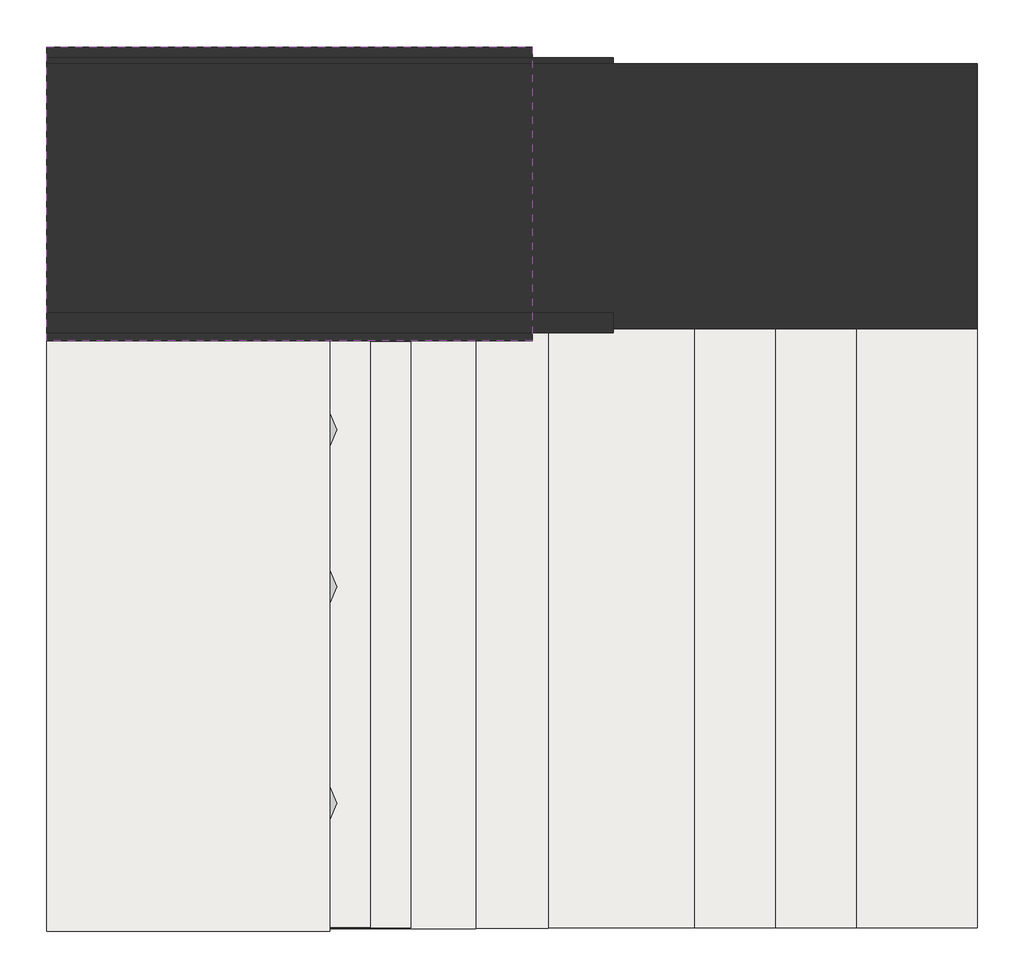
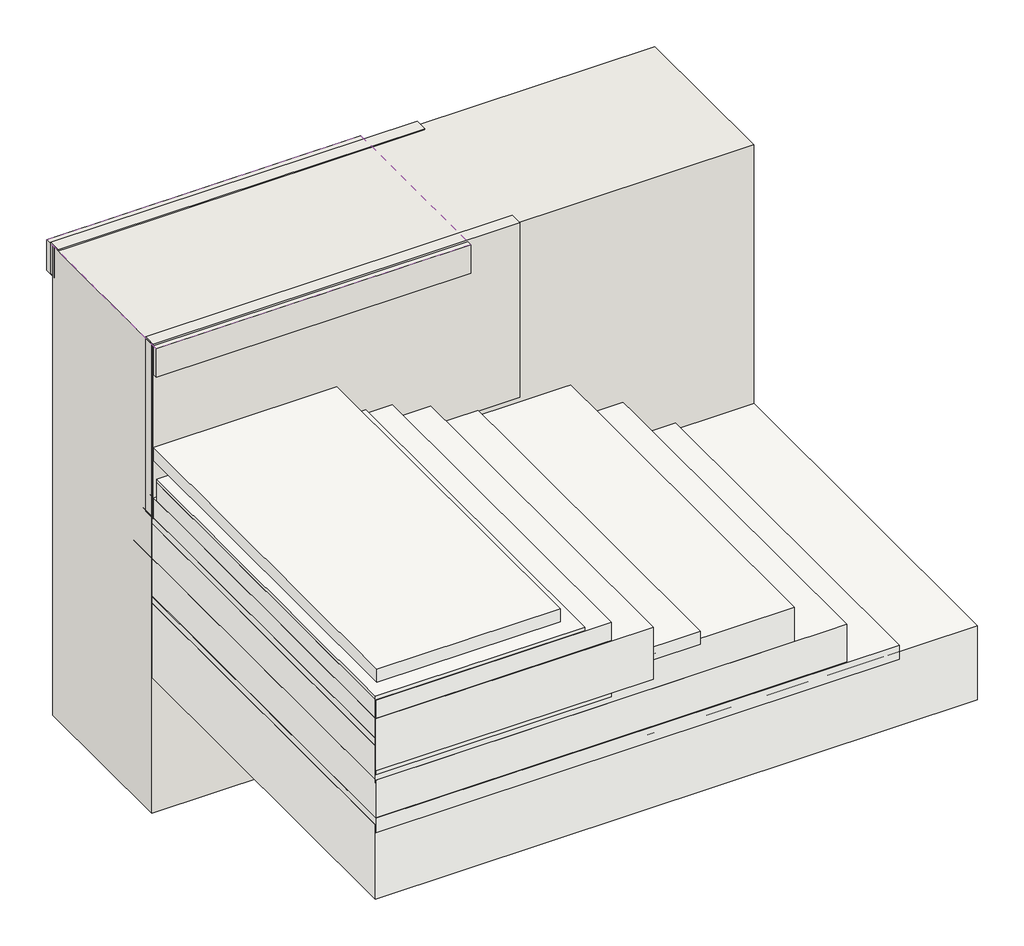
# One storey: 6 pipe segments, 6 slabs, 5 walls, 4 coverings.
"""IFC4 building model written with IfcOpenShell, lengths in millimetres."""

import ifcopenshell
import ifcopenshell.guid

model = None  # the IFC model being written
_history = None  # IfcOwnerHistory: only IFC2X3 demands one
_inside = {}  # id of a spatial element -> (the spatial element, [elements in it])
_under = {}  # id of a project, library or spatial element -> (it, [spatial elements below it])
_declared = {}  # id of a project -> (the project, [libraries it declares])
_typed = {}  # id of a type object -> (the type object, [elements of that type])
_made_of = {}  # id of a material, layer set ... -> (it, [elements and type objects made of it])


def new_model(schema):
    """Start an empty IFC model of exactly this schema.

    Asked for "IFC4X3", IfcOpenShell would pick the latest addendum, in which some entities
    have other attributes; the version numbers below select the first issue.
    IFC2X3 requires an IfcOwnerHistory on every rooted entity: one is made here for all.
    """
    global model, _history
    if schema == "IFC4X3":
        model = ifcopenshell.file(schema_version=(4, 3, 0, 0))
    else:
        model = ifcopenshell.file(schema=schema)
    _inside.clear()
    _under.clear()
    _declared.clear()
    _typed.clear()
    _made_of.clear()
    _history = None
    if model.schema == "IFC2X3":
        org = make("IfcOrganization", Name="unknown")
        user = make(
            "IfcPersonAndOrganization",
            ThePerson=make("IfcPerson", FamilyName="unknown"),
            TheOrganization=org,
        )
        app = make(
            "IfcApplication",
            ApplicationDeveloper=org,
            Version="unknown",
            ApplicationFullName="unknown",
            ApplicationIdentifier="unknown",
        )
        _history = make(
            "IfcOwnerHistory",
            OwningUser=user,
            OwningApplication=app,
            ChangeAction="ADDED",
            CreationDate=0,
        )
    return model


def make(cls, **values):
    """One entity of the class cls with the attributes given. An attribute that is None is left unset."""
    return model.create_entity(
        cls, **{name: value for name, value in values.items() if value is not None}
    )


def rooted(cls, **values):
    """An entity with a GlobalId (a new one), such as an element, a storey or a relation."""
    return make(cls, GlobalId=ifcopenshell.guid.new(), OwnerHistory=_history, **values)


def si_unit(unit_type, name, prefix=None):
    """IfcSIUnit, for example si_unit("LENGTHUNIT", "METRE", prefix="MILLI")."""
    return make("IfcSIUnit", UnitType=unit_type, Prefix=prefix, Name=name)


def assignment(units):
    """IfcUnitAssignment: the units of a project."""
    return None if units is None else make("IfcUnitAssignment", Units=units)


def point(xyz):
    """IfcCartesianPoint."""
    return None if xyz is None else make("IfcCartesianPoint", Coordinates=xyz)


def direction(xyz):
    """IfcDirection."""
    return None if xyz is None else make("IfcDirection", DirectionRatios=xyz)


def frame(location, z_axis=None, x_axis=None):
    """IfcAxis2Placement3D, a coordinate frame: its origin and axes. An axis left out is left unset."""
    return make(
        "IfcAxis2Placement3D",
        Location=point(location),
        Axis=direction(z_axis),
        RefDirection=direction(x_axis),
    )


def frame_2d(location, x_axis=None):
    """IfcAxis2Placement2D, a coordinate frame in the plane: its origin and x axis."""
    return make(
        "IfcAxis2Placement2D", Location=point(location), RefDirection=direction(x_axis)
    )


def origin():
    """The frame at (0, 0, 0) with its axes left unset."""
    return frame((0.0, 0.0, 0.0))


def place(relative_to, where):
    """IfcLocalPlacement: puts the frame where relative to a parent placement (None: the world)."""
    return make(
        "IfcLocalPlacement", PlacementRelTo=relative_to, RelativePlacement=where
    )


def context(
    kind, dimensions, precision=None, world=None, true_north=None, identifier=None
):
    """IfcGeometricRepresentationContext, for example the 3D "Model" context."""
    return make(
        "IfcGeometricRepresentationContext",
        ContextIdentifier=identifier,
        ContextType=kind,
        CoordinateSpaceDimension=dimensions,
        Precision=precision,
        WorldCoordinateSystem=world,
        TrueNorth=true_north,
    )


def project(units=None, contexts=None):
    """IfcProject with its units and contexts."""
    return rooted(
        "IfcProject",
        Name="project",
        RepresentationContexts=contexts,
        UnitsInContext=assignment(units),
    )


def spatial(cls, under=None, at=None, **own):
    """A site, building, storey or space (cls), placed at a placement, below another one or the project."""
    s = rooted(cls, ObjectPlacement=at, **own)
    if under is not None:
        _under.setdefault(under.id(), (under, []))[1].append(s)
    return s


def polyline(points):
    """IfcPolyline through the points."""
    return make("IfcPolyline", Points=[point(p) for p in points])


def circle_curve(where, radius):
    """IfcCircle in the frame where."""
    return make("IfcCircle", Position=where, Radius=radius)


def trimmed(basis, trim1, trim2, sense, master):
    """IfcTrimmedCurve: the piece of a basis curve between two trims."""
    return make(
        "IfcTrimmedCurve",
        BasisCurve=basis,
        Trim1=trim1,
        Trim2=trim2,
        SenseAgreement=sense,
        MasterRepresentation=master,
    )


def segment(curve, same_sense, transition):
    """IfcCompositeCurveSegment."""
    return make(
        "IfcCompositeCurveSegment",
        Transition=transition,
        SameSense=same_sense,
        ParentCurve=curve,
    )


def composite_curve(segments, self_intersect=None):
    """IfcCompositeCurve: segments joined end to end."""
    return make("IfcCompositeCurve", Segments=segments, SelfIntersect=self_intersect)


def outline(outer, holes=None, kind="AREA"):
    """IfcArbitraryClosedProfileDef: a profile drawn as a closed curve; with holes, ...WithVoids."""
    if holes is None:
        return make("IfcArbitraryClosedProfileDef", ProfileType=kind, OuterCurve=outer)
    return make(
        "IfcArbitraryProfileDefWithVoids",
        ProfileType=kind,
        OuterCurve=outer,
        InnerCurves=holes,
    )


def extrude(swept, where, along, depth):
    """IfcExtrudedAreaSolid: the profile swept, set in the frame where, extruded along a direction by depth."""
    return make(
        "IfcExtrudedAreaSolid",
        SweptArea=swept,
        Position=where,
        ExtrudedDirection=direction(along),
        Depth=depth,
    )


def faces_of(points, faces, orient=None, outer=None):
    """IfcFace entities. A face is a list of loops; a loop is a list of indices into points, from 0.

    orient and outer hold one flag for each loop. By default every Orientation is true, the
    first loop of a face is its IfcFaceOuterBound and the others are IfcFaceBound.
    """
    made = []
    for i, loops in enumerate(faces):
        bounds = []
        for j, loop in enumerate(loops):
            is_outer = j == 0 if outer is None else outer[i][j]
            bounds.append(
                make(
                    "IfcFaceOuterBound" if is_outer else "IfcFaceBound",
                    Bound=make("IfcPolyLoop", Polygon=[points[k] for k in loop]),
                    Orientation=True if orient is None else orient[i][j],
                )
            )
        made.append(make("IfcFace", Bounds=bounds))
    return made


def faceted_brep(points, faces, orient=None, outer=None, voids=None):
    """IfcFacetedBrep: a solid bounded by flat faces; with voids (closed shells), ...WithVoids."""
    shared = [point(p) for p in points]
    hull = make("IfcClosedShell", CfsFaces=faces_of(shared, faces, orient, outer))
    if voids is None:
        return make("IfcFacetedBrep", Outer=hull)
    return make(
        "IfcFacetedBrepWithVoids",
        Outer=hull,
        Voids=[
            make(cls, CfsFaces=faces_of(shared, fs, o, b)) for cls, fs, o, b in voids
        ],
    )


def shape(context_of_items, identifier, shape_type, items):
    """IfcShapeRepresentation: the items that make up one representation, for example the "Body"."""
    return make(
        "IfcShapeRepresentation",
        ContextOfItems=context_of_items,
        RepresentationIdentifier=identifier,
        RepresentationType=shape_type,
        Items=items,
    )


def made_of(thing, what):
    """Note that an element or type object is made of a material, layer set ...; save() writes the relation."""
    if what is not None:
        _made_of.setdefault(what.id(), (what, []))[1].append(thing)
    return thing


def element(
    cls,
    number,
    at=None,
    inside=None,
    cuts=None,
    type_object=None,
    material=None,
    context=None,
    identifier="Body",
    shape_type=None,
    held_by="IfcProductDefinitionShape",
    body=None,
    shapes=None,
    **own,
):
    """One element of the class cls, such as IfcWall. Its Tag is "e" and its number.

    at: its placement. inside: the storey or other place that contains it. cuts: it is an
    opening in that element (IfcRelVoidsElement). A single representation is given by context,
    identifier, shape_type and body (its items); several are given by shapes. held_by: the class
    of the entity that holds the representations. save() writes the other relations.
    """
    e = rooted(cls, Tag="e%d" % number, ObjectPlacement=at, **own)
    if body is not None:
        shapes = [shape(context, identifier, shape_type, body)]
    if shapes is not None:
        e.Representation = make(held_by, Representations=shapes)
    if inside is not None:
        _inside.setdefault(inside.id(), (inside, []))[1].append(e)
    if cuts is not None:
        rooted(
            "IfcRelVoidsElement", RelatingBuildingElement=cuts, RelatedOpeningElement=e
        )
    if type_object is not None:
        _typed.setdefault(type_object.id(), (type_object, []))[1].append(e)
    return made_of(e, material)


def aggregate(whole, parts):
    """IfcRelAggregates: a whole, such as a stair, and the parts it consists of."""
    return rooted("IfcRelAggregates", RelatingObject=whole, RelatedObjects=parts)


def save(model, path):
    """Write the relations noted so far, then the file.

    IfcRelAggregates (storeys below a building ...), IfcRelContainedInSpatialStructure (elements
    in a storey), IfcRelDefinesByType, IfcRelAssociatesMaterial and IfcRelDeclares: one each for
    every whole, place, type object, material and project.
    """
    for whole, parts in _under.values():
        aggregate(whole, parts)
    for where, things in _inside.values():
        rooted(
            "IfcRelContainedInSpatialStructure",
            RelatedElements=things,
            RelatingStructure=where,
        )
    for kind, things in _typed.values():
        rooted("IfcRelDefinesByType", RelatedObjects=things, RelatingType=kind)
    for what, things in _made_of.values():
        rooted("IfcRelAssociatesMaterial", RelatedObjects=things, RelatingMaterial=what)
    for by, libraries in _declared.values():
        rooted("IfcRelDeclares", RelatingContext=by, RelatedDefinitions=libraries)
    model.write(path)


model = new_model("IFC4")

# Units and contexts
model_context = context("Model", 3, world=origin())
ifc_project = project(units=[si_unit("LENGTHUNIT", "METRE", prefix="MILLI")], contexts=[model_context])

# Site, building, storey
site = spatial("IfcSite", under=ifc_project)
building = spatial("IfcBuilding", under=site)
storey = spatial("IfcBuildingStorey", under=building, Elevation=0.0)

# Coverings
placement = place(None, origin())
element("IfcCovering", 1, at=placement, inside=storey, context=model_context, shape_type="SweptSolid", body=[
    extrude(outline(polyline([(-23182.5624154, -22231.5458538), (-21182.5624154, -22231.5458538), (-21182.5624154, -23710.8477988), (-23182.5624154, -23710.8477988), (-23182.5624154, -22231.5458538)])), frame((0.0, 0.0, 179.3793099), z_axis=(0.0, 0.0, 1.0), x_axis=(1.0, 0.0, 0.0)), (0.0, 0.0, 1.0), 57.0),
])
element("IfcCovering", 2, at=placement, inside=storey, context=model_context, shape_type="SweptSolid", body=[
    extrude(outline(polyline([(-23182.5624154, -22061.953305), (-21942.5624154, -22061.953305), (-21942.5624154, -23711.953305), (-23182.5624154, -23711.953305), (-23182.5624154, -22061.953305)])), frame((0.0, 0.0, 507.3951932), z_axis=(0.0, 0.0, 1.0), x_axis=(1.0, 0.0, 0.0)), (0.0, 0.0, 1.0), 52.0),
])
element("IfcCovering", 3, at=placement, inside=storey, context=model_context, shape_type="SweptSolid", body=[
    extrude(outline(polyline([(-23182.5624154, -22240.66973), (-22482.5624154, -22240.66973), (-22482.5624154, -23719.971675), (-23182.5624154, -23719.971675), (-23182.5624154, -22240.66973)])), frame((0.0, 0.0, 791.8317649), z_axis=(0.0, 0.0, 1.0), x_axis=(1.0, 0.0, 0.0)), (0.0, 0.0, 1.0), 52.0),
])
element("IfcCovering", 4, at=placement, inside=storey, context=model_context, shape_type="SweptSolid", body=[
    extrude(outline(polyline([(-23182.5624154, -21533.7541097), (-21982.5624154, -21533.7541097), (-21982.5624154, -22260.9958441), (-23182.5624154, -22260.9958441), (-23182.5624154, -21533.7541097)])), frame((0.0, 0.0, 1254.3055564), z_axis=(0.0, 0.0, 1.0), x_axis=(1.0, 0.0, 0.0)), (0.0, 0.0, 1.0), 52.0),
])

# Pipe segments
element("IfcPipeSegment", 5, at=placement, inside=storey, context=model_context, shape_type="SweptSolid", body=[
    extrude(outline(composite_curve([segment(trimmed(circle_curve(frame_2d((-22522.6890772, -23403.1916701)), 21.082), [point((-22543.7710772, -23403.1916701))], [point((-22522.6890772, -23382.1096701))], False, "CARTESIAN"), True, "CONTINUOUS"), segment(trimmed(circle_curve(frame_2d((-22522.6890772, -23403.1916701)), 21.082), [point((-22522.6890772, -23382.1096701))], [point((-22501.6070772, -23403.1916701))], False, "CARTESIAN"), True, "CONTINUOUS"), segment(trimmed(circle_curve(frame_2d((-22522.6890772, -23403.1916701)), 21.082), [point((-22501.6070772, -23403.1916701))], [point((-22522.6890772, -23424.2736701))], False, "CARTESIAN"), True, "CONTINUOUS"), segment(trimmed(circle_curve(frame_2d((-22522.6890772, -23403.1916701)), 21.082), [point((-22522.6890772, -23424.2736701))], [point((-22543.7710772, -23403.1916701))], False, "CARTESIAN"), True, "CONTINUOUS")], self_intersect=False)), frame((0.0, 0.0, 731.3853786), z_axis=(0.0, 0.0, 1.0), x_axis=(1.0, 0.0, 0.0)), (0.0, 0.0, 1.0), 55.0),
])
element("IfcPipeSegment", 6, at=placement, inside=storey, context=model_context, shape_type="SweptSolid", body=[
    extrude(outline(composite_curve([segment(trimmed(circle_curve(frame_2d((-22522.6890772, -23403.1916701)), 57.15), [point((-22579.8390772, -23403.1916701))], [point((-22522.6890772, -23346.0416701))], False, "CARTESIAN"), True, "CONTINUOUS"), segment(trimmed(circle_curve(frame_2d((-22522.6890772, -23403.1916701)), 57.15), [point((-22522.6890772, -23346.0416701))], [point((-22465.5390772, -23403.1916701))], False, "CARTESIAN"), True, "CONTINUOUS"), segment(trimmed(circle_curve(frame_2d((-22522.6890772, -23403.1916701)), 57.15), [point((-22465.5390772, -23403.1916701))], [point((-22522.6890772, -23460.3416701))], False, "CARTESIAN"), True, "CONTINUOUS"), segment(trimmed(circle_curve(frame_2d((-22522.6890772, -23403.1916701)), 57.15), [point((-22522.6890772, -23460.3416701))], [point((-22579.8390772, -23403.1916701))], False, "CARTESIAN"), True, "CONTINUOUS")], self_intersect=False)), frame((0.0, 0.0, 731.3853786), z_axis=(0.0, 0.0, 1.0), x_axis=(1.0, 0.0, 0.0)), (0.0, 0.0, 1.0), 20.0),
])
element("IfcPipeSegment", 7, at=placement, inside=storey, context=model_context, shape_type="SweptSolid", body=[
    extrude(outline(composite_curve([segment(trimmed(circle_curve(frame_2d((-22522.6890772, -22868.3408869)), 21.082), [point((-22543.7710772, -22868.3408869))], [point((-22522.6890772, -22847.2588869))], False, "CARTESIAN"), True, "CONTINUOUS"), segment(trimmed(circle_curve(frame_2d((-22522.6890772, -22868.3408869)), 21.082), [point((-22522.6890772, -22847.2588869))], [point((-22501.6070772, -22868.3408869))], False, "CARTESIAN"), True, "CONTINUOUS"), segment(trimmed(circle_curve(frame_2d((-22522.6890772, -22868.3408869)), 21.082), [point((-22501.6070772, -22868.3408869))], [point((-22522.6890772, -22889.4228869))], False, "CARTESIAN"), True, "CONTINUOUS"), segment(trimmed(circle_curve(frame_2d((-22522.6890772, -22868.3408869)), 21.082), [point((-22522.6890772, -22889.4228869))], [point((-22543.7710772, -22868.3408869))], False, "CARTESIAN"), True, "CONTINUOUS")], self_intersect=False)), frame((0.0, 0.0, 731.3853786), z_axis=(0.0, 0.0, 1.0), x_axis=(1.0, 0.0, 0.0)), (0.0, 0.0, 1.0), 55.0),
])
element("IfcPipeSegment", 8, at=placement, inside=storey, context=model_context, shape_type="SweptSolid", body=[
    extrude(outline(composite_curve([segment(trimmed(circle_curve(frame_2d((-22522.6890772, -22868.3408869)), 57.15), [point((-22579.8390772, -22868.3408869))], [point((-22522.6890772, -22811.1908869))], False, "CARTESIAN"), True, "CONTINUOUS"), segment(trimmed(circle_curve(frame_2d((-22522.6890772, -22868.3408869)), 57.15), [point((-22522.6890772, -22811.1908869))], [point((-22465.5390772, -22868.3408869))], False, "CARTESIAN"), True, "CONTINUOUS"), segment(trimmed(circle_curve(frame_2d((-22522.6890772, -22868.3408869)), 57.15), [point((-22465.5390772, -22868.3408869))], [point((-22522.6890772, -22925.4908869))], False, "CARTESIAN"), True, "CONTINUOUS"), segment(trimmed(circle_curve(frame_2d((-22522.6890772, -22868.3408869)), 57.15), [point((-22522.6890772, -22925.4908869))], [point((-22579.8390772, -22868.3408869))], False, "CARTESIAN"), True, "CONTINUOUS")], self_intersect=False)), frame((0.0, 0.0, 731.3853786), z_axis=(0.0, 0.0, 1.0), x_axis=(1.0, 0.0, 0.0)), (0.0, 0.0, 1.0), 20.0),
])
element("IfcPipeSegment", 9, at=placement, inside=storey, context=model_context, shape_type="SweptSolid", body=[
    extrude(outline(composite_curve([segment(trimmed(circle_curve(frame_2d((-22522.6890772, -22480.5314831)), 21.082), [point((-22543.7710772, -22480.5314831))], [point((-22522.6890772, -22459.4494831))], False, "CARTESIAN"), True, "CONTINUOUS"), segment(trimmed(circle_curve(frame_2d((-22522.6890772, -22480.5314831)), 21.082), [point((-22522.6890772, -22459.4494831))], [point((-22501.6070772, -22480.5314831))], False, "CARTESIAN"), True, "CONTINUOUS"), segment(trimmed(circle_curve(frame_2d((-22522.6890772, -22480.5314831)), 21.082), [point((-22501.6070772, -22480.5314831))], [point((-22522.6890772, -22501.6134831))], False, "CARTESIAN"), True, "CONTINUOUS"), segment(trimmed(circle_curve(frame_2d((-22522.6890772, -22480.5314831)), 21.082), [point((-22522.6890772, -22501.6134831))], [point((-22543.7710772, -22480.5314831))], False, "CARTESIAN"), True, "CONTINUOUS")], self_intersect=False)), frame((0.0, 0.0, 731.3853786), z_axis=(0.0, 0.0, 1.0), x_axis=(1.0, 0.0, 0.0)), (0.0, 0.0, 1.0), 55.0),
])
element("IfcPipeSegment", 10, at=placement, inside=storey, context=model_context, shape_type="SweptSolid", body=[
    extrude(outline(composite_curve([segment(trimmed(circle_curve(frame_2d((-22522.6890772, -22480.5314831)), 57.15), [point((-22579.8390772, -22480.5314831))], [point((-22522.6890772, -22423.3814831))], False, "CARTESIAN"), True, "CONTINUOUS"), segment(trimmed(circle_curve(frame_2d((-22522.6890772, -22480.5314831)), 57.15), [point((-22522.6890772, -22423.3814831))], [point((-22465.5390772, -22480.5314831))], False, "CARTESIAN"), True, "CONTINUOUS"), segment(trimmed(circle_curve(frame_2d((-22522.6890772, -22480.5314831)), 57.15), [point((-22465.5390772, -22480.5314831))], [point((-22522.6890772, -22537.6814831))], False, "CARTESIAN"), True, "CONTINUOUS"), segment(trimmed(circle_curve(frame_2d((-22522.6890772, -22480.5314831)), 57.15), [point((-22522.6890772, -22537.6814831))], [point((-22579.8390772, -22480.5314831))], False, "CARTESIAN"), True, "CONTINUOUS")], self_intersect=False)), frame((0.0, 0.0, 731.3853786), z_axis=(0.0, 0.0, 1.0), x_axis=(1.0, 0.0, 0.0)), (0.0, 0.0, 1.0), 20.0),
])

# Slabs
element("IfcSlab", 11, at=placement, inside=storey, context=model_context, shape_type="SweptSolid", body=[
    extrude(outline(polyline([(-23182.5624154, -22230.9709867), (-20882.5624154, -22230.9709867), (-20882.5624154, -23710.2729317), (-23182.5624154, -23710.2729317), (-23182.5624154, -22230.9709867)])), frame((0.0, 0.0, -90.0), z_axis=(0.0, 0.0, 1.0), x_axis=(1.0, 0.0, 0.0)), (0.0, 0.0, 1.0), 300.0),
])
element("IfcSlab", 12, at=placement, inside=storey, context=model_context, shape_type="SweptSolid", body=[
    extrude(outline(polyline([(-23182.5624154, -22059.9075872), (-21382.5624154, -22059.9075872), (-21382.5624154, -23710.8477988), (-23182.5624154, -23710.8477988), (-23182.5624154, -22059.9075872)])), frame((0.0, 0.0, 240.0), z_axis=(0.0, 0.0, 1.0), x_axis=(1.0, 0.0, 0.0)), (0.0, 0.0, 1.0), 150.0),
])
element("IfcSlab", 13, at=placement, inside=storey, context=model_context, shape_type="SweptSolid", body=[
    extrude(outline(polyline([(-23182.5624154, -22059.6455739), (-21582.5624154, -22059.6455739), (-21582.5624154, -23710.5857855), (-23182.5624154, -23710.5857855), (-23182.5624154, -22059.6455739)])), frame((0.0, 0.0, 380.0), z_axis=(0.0, 0.0, 1.0), x_axis=(1.0, 0.0, 0.0)), (0.0, 0.0, 1.0), 150.0),
])
element("IfcSlab", 14, at=placement, inside=storey, context=model_context, shape_type="SweptSolid", body=[
    extrude(outline(polyline([(-23182.5624154, -22059.6455739), (-22122.5624154, -22059.6455739), (-22122.5624154, -23713.526454), (-23182.5624154, -23713.526454), (-23182.5624154, -22059.6455739)])), frame((0.0, 0.0, 430.0), z_axis=(0.0, 0.0, 1.0), x_axis=(1.0, 0.0, 0.0)), (0.0, 0.0, 1.0), 210.0),
])
element("IfcSlab", 15, at=placement, inside=storey, context=model_context, shape_type="SweptSolid", body=[
    extrude(outline(polyline([(-23182.5624154, -22263.212721), (-22282.5624154, -22263.212721), (-22282.5624154, -23711.1391417), (-23182.5624154, -23711.1391417), (-23182.5624154, -22263.212721)])), frame((0.0, 0.0, 413.8060402), z_axis=(0.0, 0.0, 1.0), x_axis=(1.0, 0.0, 0.0)), (0.0, 0.0, 1.0), 300.0),
])
element("IfcSlab", 16, at=placement, inside=storey, context=model_context, shape_type="SweptSolid", body=[
    extrude(outline(polyline([(-23182.5624154, -22261.9118761), (-22382.5624154, -22261.9118761), (-22382.5624154, -23709.8382967), (-23182.5624154, -23709.8382967), (-23182.5624154, -22261.9118761)])), frame((0.0, 0.0, 503.5978561), z_axis=(0.0, 0.0, 1.0), x_axis=(1.0, 0.0, 0.0)), (0.0, 0.0, 1.0), 225.0),
])

# Walls
element("IfcWall", 17, at=placement, inside=storey, context=model_context, shape_type="Brep", body=[
    faceted_brep([(-20882.5624154, -21575.9709867, -640.6206901), (-23182.5624154, -21575.9709867, -640.6206901), (-23182.5624154, -21575.9709867, 1254.3055564), (-20882.5624154, -21575.9709867, 1254.3055564), (-20882.5624154, -22230.9709867, -640.6206901), (-20882.5624154, -22230.9709867, -90.0), (-20882.5624154, -22230.9709867, 210.0), (-20882.5624154, -22230.9709867, 1254.3055564), (-23182.5624154, -22230.9709867, 1254.3055564), (-23182.5624154, -22230.9709867, 210.0), (-23182.5624154, -22230.9709867, -90.0), (-23182.5624154, -22230.9709867, -640.6206901)], [[[0, 1, 2, 3]], [[4, 5, 6, 7, 8, 9, 10, 11]], [[1, 0, 4, 11]], [[2, 1, 11, 10, 9, 8]], [[3, 2, 8, 7]], [[0, 3, 7, 6, 5, 4]]]),
])
element("IfcWall", 18, at=placement, inside=storey, context=model_context, shape_type="SweptSolid", body=[
    extrude(outline(polyline([(-23182.5624154, -21560.9709867), (-21782.5624154, -21560.9709867), (-21782.5624154, -21610.9709867), (-23182.5624154, -21610.9709867), (-23182.5624154, -21560.9709867)])), frame((0.0, 0.0, 1135.1358729), z_axis=(0.0, 0.0, 1.0), x_axis=(1.0, 0.0, 0.0)), (0.0, 0.0, 1.0), 124.390275),
])
element("IfcWall", 19, at=placement, inside=storey, context=model_context, shape_type="SweptSolid", body=[
    extrude(outline(polyline([(-23182.5624154, -22190.9709867), (-21782.5624154, -22190.9709867), (-21782.5624154, -22240.9709867), (-23182.5624154, -22240.9709867), (-23182.5624154, -22190.9709867)])), frame((0.0, 0.0, 556.4497982), z_axis=(0.0, 0.0, 1.0), x_axis=(1.0, 0.0, 0.0)), (0.0, 0.0, 1.0), 703.5502018),
])
element("IfcWall", 20, at=placement, inside=storey, context=model_context, shape_type="SweptSolid", body=[
    extrude(outline(polyline([(-23182.5624154, -21535.9709867), (-21982.5624154, -21535.9709867), (-21982.5624154, -21585.9709867), (-23182.5624154, -21585.9709867), (-23182.5624154, -21535.9709867)])), frame((0.0, 0.0, 1131.3607465), z_axis=(0.0, 0.0, 1.0), x_axis=(1.0, 0.0, 0.0)), (0.0, 0.0, 1.0), 122.9448099),
])
element("IfcWall", 21, at=placement, inside=storey, context=model_context, shape_type="SweptSolid", body=[
    extrude(outline(polyline([(-23182.5624154, -22210.9958441), (-21982.5624154, -22210.9958441), (-21982.5624154, -22260.9958441), (-23182.5624154, -22260.9958441), (-23182.5624154, -22210.9958441)])), frame((0.0, 0.0, 1138.8977316), z_axis=(0.0, 0.0, 1.0), x_axis=(1.0, 0.0, 0.0)), (0.0, 0.0, 1.0), 115.4078248),
])

save(model, "model.ifc")
